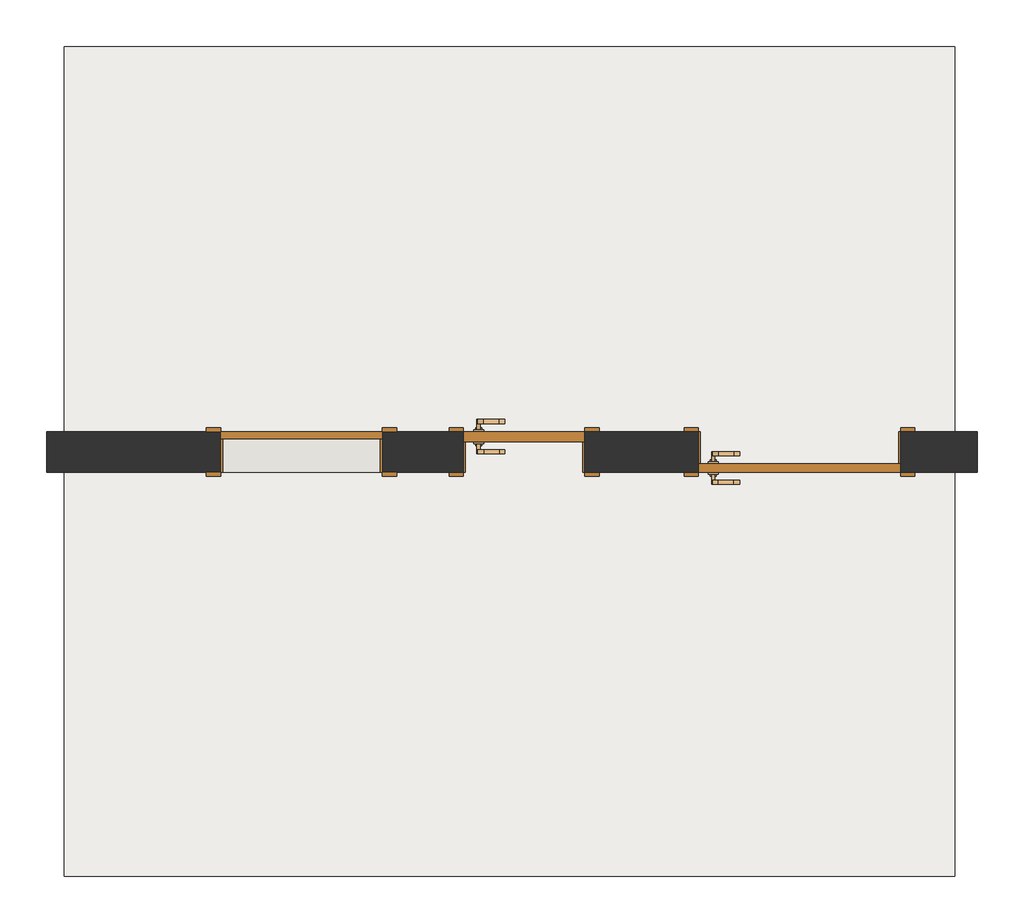
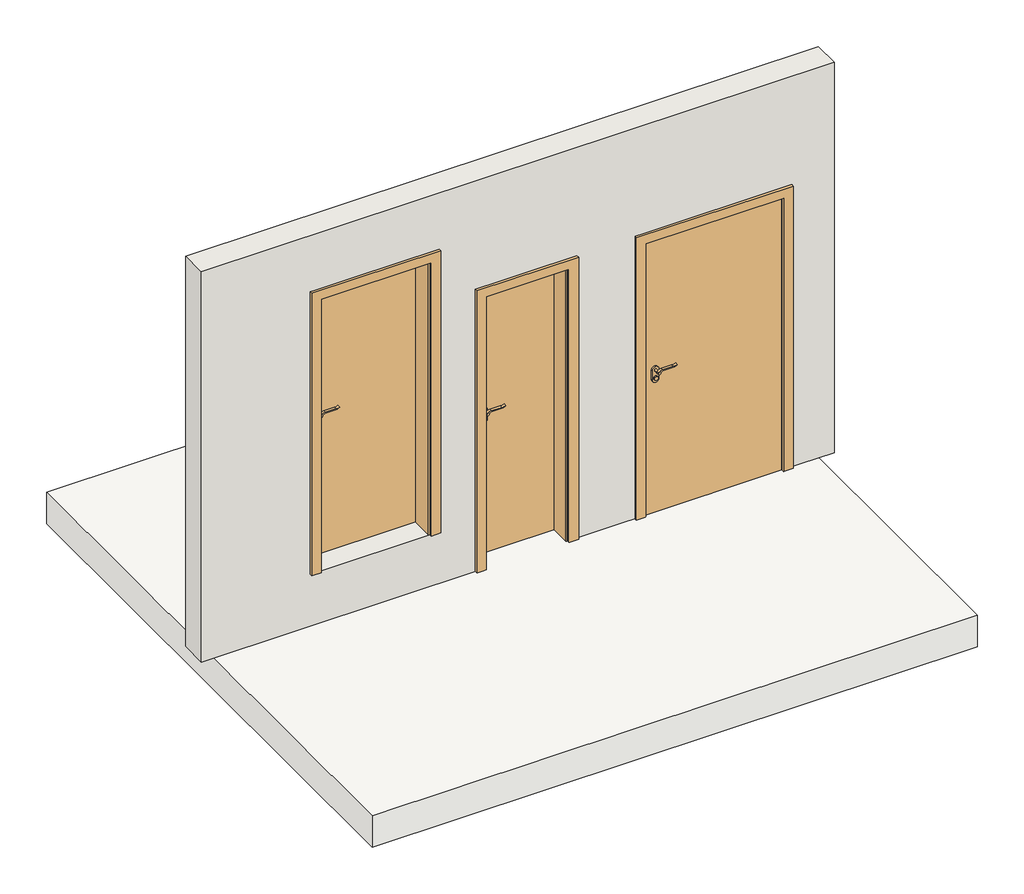
# One storey: 3 doors, 1 slab, 1 wall.
"""IFC4 building model written with IfcOpenShell, lengths in millimetres."""

import ifcopenshell
import ifcopenshell.guid

model = None  # the IFC model being written
_history = None  # IfcOwnerHistory: only IFC2X3 demands one
_inside = {}  # id of a spatial element -> (the spatial element, [elements in it])
_under = {}  # id of a project, library or spatial element -> (it, [spatial elements below it])
_declared = {}  # id of a project -> (the project, [libraries it declares])
_typed = {}  # id of a type object -> (the type object, [elements of that type])
_made_of = {}  # id of a material, layer set ... -> (it, [elements and type objects made of it])


def new_model(schema):
    """Start an empty IFC model of exactly this schema.

    Asked for "IFC4X3", IfcOpenShell would pick the latest addendum, in which some entities
    have other attributes; the version numbers below select the first issue.
    IFC2X3 requires an IfcOwnerHistory on every rooted entity: one is made here for all.
    """
    global model, _history
    if schema == "IFC4X3":
        model = ifcopenshell.file(schema_version=(4, 3, 0, 0))
    else:
        model = ifcopenshell.file(schema=schema)
    _inside.clear()
    _under.clear()
    _declared.clear()
    _typed.clear()
    _made_of.clear()
    _history = None
    if model.schema == "IFC2X3":
        org = make("IfcOrganization", Name="unknown")
        user = make(
            "IfcPersonAndOrganization",
            ThePerson=make("IfcPerson", FamilyName="unknown"),
            TheOrganization=org,
        )
        app = make(
            "IfcApplication",
            ApplicationDeveloper=org,
            Version="unknown",
            ApplicationFullName="unknown",
            ApplicationIdentifier="unknown",
        )
        _history = make(
            "IfcOwnerHistory",
            OwningUser=user,
            OwningApplication=app,
            ChangeAction="ADDED",
            CreationDate=0,
        )
    return model


def make(cls, **values):
    """One entity of the class cls with the attributes given. An attribute that is None is left unset."""
    return model.create_entity(
        cls, **{name: value for name, value in values.items() if value is not None}
    )


def rooted(cls, **values):
    """An entity with a GlobalId (a new one), such as an element, a storey or a relation."""
    return make(cls, GlobalId=ifcopenshell.guid.new(), OwnerHistory=_history, **values)


def si_unit(unit_type, name, prefix=None):
    """IfcSIUnit, for example si_unit("LENGTHUNIT", "METRE", prefix="MILLI")."""
    return make("IfcSIUnit", UnitType=unit_type, Prefix=prefix, Name=name)


def assignment(units):
    """IfcUnitAssignment: the units of a project."""
    return None if units is None else make("IfcUnitAssignment", Units=units)


def point(xyz):
    """IfcCartesianPoint."""
    return None if xyz is None else make("IfcCartesianPoint", Coordinates=xyz)


def direction(xyz):
    """IfcDirection."""
    return None if xyz is None else make("IfcDirection", DirectionRatios=xyz)


def frame(location, z_axis=None, x_axis=None):
    """IfcAxis2Placement3D, a coordinate frame: its origin and axes. An axis left out is left unset."""
    return make(
        "IfcAxis2Placement3D",
        Location=point(location),
        Axis=direction(z_axis),
        RefDirection=direction(x_axis),
    )


def frame_2d(location, x_axis=None):
    """IfcAxis2Placement2D, a coordinate frame in the plane: its origin and x axis."""
    return make(
        "IfcAxis2Placement2D", Location=point(location), RefDirection=direction(x_axis)
    )


def origin():
    """The frame at (0, 0, 0) with its axes left unset."""
    return frame((0.0, 0.0, 0.0))


def origin_with_axes():
    """The frame at (0, 0, 0) with the z axis (0, 0, 1) and the x axis (1, 0, 0) written out."""
    return frame((0.0, 0.0, 0.0), z_axis=(0.0, 0.0, 1.0), x_axis=(1.0, 0.0, 0.0))


def place(relative_to, where):
    """IfcLocalPlacement: puts the frame where relative to a parent placement (None: the world)."""
    return make(
        "IfcLocalPlacement", PlacementRelTo=relative_to, RelativePlacement=where
    )


def context(
    kind, dimensions, precision=None, world=None, true_north=None, identifier=None
):
    """IfcGeometricRepresentationContext, for example the 3D "Model" context."""
    return make(
        "IfcGeometricRepresentationContext",
        ContextIdentifier=identifier,
        ContextType=kind,
        CoordinateSpaceDimension=dimensions,
        Precision=precision,
        WorldCoordinateSystem=world,
        TrueNorth=true_north,
    )


def project(units=None, contexts=None):
    """IfcProject with its units and contexts."""
    return rooted(
        "IfcProject",
        Name="project",
        RepresentationContexts=contexts,
        UnitsInContext=assignment(units),
    )


def spatial(cls, under=None, at=None, **own):
    """A site, building, storey or space (cls), placed at a placement, below another one or the project."""
    s = rooted(cls, ObjectPlacement=at, **own)
    if under is not None:
        _under.setdefault(under.id(), (under, []))[1].append(s)
    return s


def polyline(points):
    """IfcPolyline through the points."""
    return make("IfcPolyline", Points=[point(p) for p in points])


def circle_curve(where, radius):
    """IfcCircle in the frame where."""
    return make("IfcCircle", Position=where, Radius=radius)


def trimmed(basis, trim1, trim2, sense, master):
    """IfcTrimmedCurve: the piece of a basis curve between two trims."""
    return make(
        "IfcTrimmedCurve",
        BasisCurve=basis,
        Trim1=trim1,
        Trim2=trim2,
        SenseAgreement=sense,
        MasterRepresentation=master,
    )


def segment(curve, same_sense, transition):
    """IfcCompositeCurveSegment."""
    return make(
        "IfcCompositeCurveSegment",
        Transition=transition,
        SameSense=same_sense,
        ParentCurve=curve,
    )


def composite_curve(segments, self_intersect=None):
    """IfcCompositeCurve: segments joined end to end."""
    return make("IfcCompositeCurve", Segments=segments, SelfIntersect=self_intersect)


def outline(outer, holes=None, kind="AREA"):
    """IfcArbitraryClosedProfileDef: a profile drawn as a closed curve; with holes, ...WithVoids."""
    if holes is None:
        return make("IfcArbitraryClosedProfileDef", ProfileType=kind, OuterCurve=outer)
    return make(
        "IfcArbitraryProfileDefWithVoids",
        ProfileType=kind,
        OuterCurve=outer,
        InnerCurves=holes,
    )


def extrude(swept, where, along, depth):
    """IfcExtrudedAreaSolid: the profile swept, set in the frame where, extruded along a direction by depth."""
    return make(
        "IfcExtrudedAreaSolid",
        SweptArea=swept,
        Position=where,
        ExtrudedDirection=direction(along),
        Depth=depth,
    )


def shape(context_of_items, identifier, shape_type, items):
    """IfcShapeRepresentation: the items that make up one representation, for example the "Body"."""
    return make(
        "IfcShapeRepresentation",
        ContextOfItems=context_of_items,
        RepresentationIdentifier=identifier,
        RepresentationType=shape_type,
        Items=items,
    )


def source(mapping_origin, context_of_items, identifier, shape_type, items):
    """IfcRepresentationMap: a shape defined once, which mapped items show again and again."""
    return make(
        "IfcRepresentationMap",
        MappingOrigin=mapping_origin,
        MappedRepresentation=shape(context_of_items, identifier, shape_type, items),
    )


def transform(
    local_origin,
    x_axis=None,
    y_axis=None,
    z_axis=None,
    scale=None,
    scale2=None,
    scale3=None,
    uniform=True,
):
    """IfcCartesianTransformationOperator3D, or its non-uniform kind. x_axis, y_axis, z_axis: its Axis1, 2, 3."""
    if uniform:
        return make(
            "IfcCartesianTransformationOperator3D",
            Axis1=direction(x_axis),
            Axis2=direction(y_axis),
            LocalOrigin=point(local_origin),
            Scale=scale,
            Axis3=direction(z_axis),
        )
    return make(
        "IfcCartesianTransformationOperator3DnonUniform",
        Axis1=direction(x_axis),
        Axis2=direction(y_axis),
        LocalOrigin=point(local_origin),
        Scale=scale,
        Axis3=direction(z_axis),
        Scale2=scale2,
        Scale3=scale3,
    )


def mapped(mapping_source, mapping_target):
    """IfcMappedItem: shows the shape of a source again, moved by a transform."""
    return make(
        "IfcMappedItem", MappingSource=mapping_source, MappingTarget=mapping_target
    )


def made_of(thing, what):
    """Note that an element or type object is made of a material, layer set ...; save() writes the relation."""
    if what is not None:
        _made_of.setdefault(what.id(), (what, []))[1].append(thing)
    return thing


def element(
    cls,
    number,
    at=None,
    inside=None,
    cuts=None,
    type_object=None,
    material=None,
    context=None,
    identifier="Body",
    shape_type=None,
    held_by="IfcProductDefinitionShape",
    body=None,
    shapes=None,
    **own,
):
    """One element of the class cls, such as IfcWall. Its Tag is "e" and its number.

    at: its placement. inside: the storey or other place that contains it. cuts: it is an
    opening in that element (IfcRelVoidsElement). A single representation is given by context,
    identifier, shape_type and body (its items); several are given by shapes. held_by: the class
    of the entity that holds the representations. save() writes the other relations.
    """
    e = rooted(cls, Tag="e%d" % number, ObjectPlacement=at, **own)
    if body is not None:
        shapes = [shape(context, identifier, shape_type, body)]
    if shapes is not None:
        e.Representation = make(held_by, Representations=shapes)
    if inside is not None:
        _inside.setdefault(inside.id(), (inside, []))[1].append(e)
    if cuts is not None:
        rooted(
            "IfcRelVoidsElement", RelatingBuildingElement=cuts, RelatedOpeningElement=e
        )
    if type_object is not None:
        _typed.setdefault(type_object.id(), (type_object, []))[1].append(e)
    return made_of(e, material)


def aggregate(whole, parts):
    """IfcRelAggregates: a whole, such as a stair, and the parts it consists of."""
    return rooted("IfcRelAggregates", RelatingObject=whole, RelatedObjects=parts)


def save(model, path):
    """Write the relations noted so far, then the file.

    IfcRelAggregates (storeys below a building ...), IfcRelContainedInSpatialStructure (elements
    in a storey), IfcRelDefinesByType, IfcRelAssociatesMaterial and IfcRelDeclares: one each for
    every whole, place, type object, material and project.
    """
    for whole, parts in _under.values():
        aggregate(whole, parts)
    for where, things in _inside.values():
        rooted(
            "IfcRelContainedInSpatialStructure",
            RelatedElements=things,
            RelatingStructure=where,
        )
    for kind, things in _typed.values():
        rooted("IfcRelDefinesByType", RelatedObjects=things, RelatingType=kind)
    for what, things in _made_of.values():
        rooted("IfcRelAssociatesMaterial", RelatedObjects=things, RelatingMaterial=what)
    for by, libraries in _declared.values():
        rooted("IfcRelDeclares", RelatingContext=by, RelatedDefinitions=libraries)
    model.write(path)


def door_48cdd9c5(model_context):
    return source(origin(), model_context, "Body", "SweptSolid", [
        extrude(outline(composite_curve([segment(trimmed(circle_curve(frame_2d((1040.0, -225.0)), 15.0), [point((1040.0, -210.0))], [point((1040.0, -240.0))], False, "CARTESIAN"), True, "CONTINUOUS"), segment(trimmed(circle_curve(frame_2d((1040.0, -225.0)), 15.0), [point((1040.0, -240.0))], [point((1040.0, -210.0))], False, "CARTESIAN"), True, "CONTINUOUS")], self_intersect=False)), frame((0.0, 30.0, 0.0), z_axis=(0.0, 1.0, 0.0), x_axis=(0.0, 0.0, 1.0)), (0.0, 0.0, 1.0), 10.0),
        extrude(outline(composite_curve([segment(trimmed(circle_curve(frame_2d((1040.0, -225.0)), 15.0), [point((1040.0, -210.0))], [point((1040.0, -240.0))], False, "CARTESIAN"), True, "CONTINUOUS"), segment(trimmed(circle_curve(frame_2d((1040.0, -225.0)), 15.0), [point((1040.0, -240.0))], [point((1040.0, -210.0))], False, "CARTESIAN"), True, "CONTINUOUS")], self_intersect=False)), frame((0.0, 110.0, 0.0), z_axis=(0.0, 1.0, 0.0), x_axis=(0.0, 0.0, 1.0)), (0.0, 0.0, 1.0), 10.0),
        extrude(outline(composite_curve([segment(trimmed(circle_curve(frame_2d((1100.0, -225.0)), 8.0), [point((1104.6523287, -231.5081363))], [point((1100.0, -217.0))], False, "CARTESIAN"), True, "CONTINUOUS"), segment(trimmed(circle_curve(frame_2d((1094.8738613, -199.6138099)), 18.1261387), [point((1100.0, -217.0))], [point((1113.0, -199.6138099))], True, "CARTESIAN"), True, "CONTINUOUS"), segment(polyline([(1113.0, -199.6138099), (1113.0, -123.3564091)]), True, "CONTINUOUS"), segment(trimmed(circle_curve(frame_2d((1172.2709207, -126.9396612)), 59.3791355), [point((1113.0, -123.3564091))], [point((1122.2135558, -95.0))], False, "CARTESIAN"), True, "CONTINUOUS"), segment(polyline([(1122.2135558, -95.0), (1125.0, -95.0)]), True, "CONTINUOUS"), segment(trimmed(circle_curve(frame_2d((1203.2850638, -123.4227909)), 83.2850902), [point((1125.0, -95.0))], [point((1120.0, -123.3564091))], True, "CARTESIAN"), True, "CONTINUOUS"), segment(polyline([(1120.0, -123.3564091), (1120.0, -199.6325667)]), True, "CONTINUOUS"), segment(trimmed(circle_curve(frame_2d((1082.7555521, -201.3324871)), 37.2832219), [point((1120.0, -199.6325667))], [point((1104.6523287, -231.5081363))], False, "CARTESIAN"), True, "CONTINUOUS")], self_intersect=False)), frame((0.0, -10.0, 0.0), z_axis=(0.0, 1.0, 0.0), x_axis=(0.0, 0.0, 1.0)), (0.0, 0.0, 1.0), 20.0),
        extrude(outline(composite_curve([segment(trimmed(circle_curve(frame_2d((1094.8738682, -199.6138122)), 18.1261318), [point((1099.9999903, -217.0))], [point((1113.0, -199.6138122))], True, "CARTESIAN"), True, "CONTINUOUS"), segment(polyline([(1113.0, -199.6138122), (1113.0, -123.3564091)]), True, "CONTINUOUS"), segment(trimmed(circle_curve(frame_2d((1172.2709207, -126.9396612)), 59.3791355), [point((1113.0, -123.3564091))], [point((1122.2135558, -95.0))], False, "CARTESIAN"), True, "CONTINUOUS"), segment(polyline([(1122.2135558, -95.0), (1125.0, -95.0)]), True, "CONTINUOUS"), segment(trimmed(circle_curve(frame_2d((1203.2850638, -123.4227909)), 83.2850902), [point((1125.0, -95.0))], [point((1120.0, -123.3564091))], True, "CARTESIAN"), True, "CONTINUOUS"), segment(polyline([(1120.0, -123.3564091), (1120.0, -199.6325667)]), True, "CONTINUOUS"), segment(trimmed(circle_curve(frame_2d((1082.7555521, -201.3324871)), 37.2832219), [point((1120.0, -199.6325667))], [point((1104.6523287, -231.5081363))], False, "CARTESIAN"), True, "CONTINUOUS"), segment(trimmed(circle_curve(frame_2d((1100.0, -225.0)), 8.0), [point((1104.6523287, -231.5081363))], [point((1099.9999903, -217.0))], False, "CARTESIAN"), True, "CONTINUOUS")], self_intersect=False)), frame((0.0, 140.0, 0.0), z_axis=(0.0, 1.0, 0.0), x_axis=(0.0, 0.0, 1.0)), (0.0, 0.0, 1.0), 20.0),
        extrude(outline(composite_curve([segment(trimmed(circle_curve(frame_2d((1100.0, -225.0)), 8.0), [point((1100.0, -217.0))], [point((1100.0, -233.0))], False, "CARTESIAN"), True, "CONTINUOUS"), segment(trimmed(circle_curve(frame_2d((1100.0, -225.0)), 8.0), [point((1100.0, -233.0))], [point((1100.0, -217.0))], False, "CARTESIAN"), True, "CONTINUOUS")], self_intersect=False)), frame((0.0, 10.0, 0.0), z_axis=(0.0, 1.0, 0.0), x_axis=(0.0, 0.0, 1.0)), (0.0, 0.0, 1.0), 30.0),
        extrude(outline(composite_curve([segment(trimmed(circle_curve(frame_2d((1100.0, -225.0)), 8.0), [point((1100.0, -217.0))], [point((1100.0, -233.0))], False, "CARTESIAN"), True, "CONTINUOUS"), segment(trimmed(circle_curve(frame_2d((1100.0, -225.0)), 8.0), [point((1100.0, -233.0))], [point((1100.0, -217.0))], False, "CARTESIAN"), True, "CONTINUOUS")], self_intersect=False)), frame((0.0, 110.0, 0.0), z_axis=(0.0, 1.0, 0.0), x_axis=(0.0, 0.0, 1.0)), (0.0, 0.0, 1.0), 30.0),
        extrude(outline(composite_curve([segment(trimmed(circle_curve(frame_2d((1030.0, -225.0)), 25.0), [point((1030.0, -250.0))], [point((1030.0, -200.0))], False, "CARTESIAN"), True, "CONTINUOUS"), segment(polyline([(1030.0, -200.0), (1100.0, -200.0)]), True, "CONTINUOUS"), segment(trimmed(circle_curve(frame_2d((1100.0, -225.0)), 25.0), [point((1100.0, -200.0))], [point((1100.0, -250.0))], False, "CARTESIAN"), True, "CONTINUOUS"), segment(polyline([(1100.0, -250.0), (1030.0, -250.0)]), True, "CONTINUOUS")], self_intersect=False)), frame((0.0, 40.0, 0.0), z_axis=(0.0, 1.0, 0.0), x_axis=(0.0, 0.0, 1.0)), (0.0, 0.0, 1.0), 10.0),
        extrude(outline(composite_curve([segment(trimmed(circle_curve(frame_2d((1030.0, -225.0)), 25.0), [point((1030.0, -250.0))], [point((1030.0, -200.0))], False, "CARTESIAN"), True, "CONTINUOUS"), segment(polyline([(1030.0, -200.0), (1100.0, -200.0)]), True, "CONTINUOUS"), segment(trimmed(circle_curve(frame_2d((1100.0, -225.0)), 25.0), [point((1100.0, -200.0))], [point((1100.0, -250.0))], False, "CARTESIAN"), True, "CONTINUOUS"), segment(polyline([(1100.0, -250.0), (1030.0, -250.0)]), True, "CONTINUOUS")], self_intersect=False)), frame((0.0, 100.0, 0.0), z_axis=(0.0, 1.0, 0.0), x_axis=(0.0, 0.0, 1.0)), (0.0, 0.0, 1.0), 10.0),
        extrude(outline(polyline([(300.0, 50.0), (-300.0, 50.0), (-300.0, 100.0), (300.0, 100.0), (300.0, 50.0)])), origin_with_axes(), (0.0, 0.0, 1.0), 2100.0),
        extrude(outline(polyline([(0.0, 300.0), (2100.0, 300.0), (2100.0, -300.0), (0.0, -300.0), (0.0, -290.0), (2090.0, -290.0), (2090.0, 290.0), (0.0, 290.0), (0.0, 300.0)])), frame((0.0, -100.0, 0.0), z_axis=(0.0, 1.0, 0.0), x_axis=(0.0, 0.0, 1.0)), (0.0, 0.0, 1.0), 150.0),
        extrude(outline(polyline([(0.0, 300.0), (0.0, 370.0), (2170.0, 370.0), (2170.0, -370.0), (0.0, -370.0), (0.0, -300.0), (2100.0, -300.0), (2100.0, 300.0), (0.0, 300.0)])), frame((0.0, 100.0, 0.0), z_axis=(0.0, 1.0, 0.0), x_axis=(0.0, 0.0, 1.0)), (0.0, 0.0, 1.0), 20.0),
        extrude(outline(polyline([(0.0, 300.0), (0.0, 370.0), (2170.0, 370.0), (2170.0, -370.0), (0.0, -370.0), (0.0, -300.0), (2100.0, -300.0), (2100.0, 300.0), (0.0, 300.0)])), frame((0.0, -120.0, 0.0), z_axis=(0.0, 1.0, 0.0), x_axis=(0.0, 0.0, 1.0)), (0.0, 0.0, 1.0), 20.0),
    ])


def door_100x210_03aab73c(model_context):
    return source(origin(), model_context, "Body", "SweptSolid", [
        extrude(outline(composite_curve([segment(trimmed(circle_curve(frame_2d((1040.0, -425.0)), 15.0), [point((1040.0, -410.0))], [point((1040.0, -440.0))], False, "CARTESIAN"), True, "CONTINUOUS"), segment(trimmed(circle_curve(frame_2d((1040.0, -425.0)), 15.0), [point((1040.0, -440.0))], [point((1040.0, -410.0))], False, "CARTESIAN"), True, "CONTINUOUS")], self_intersect=False)), frame((0.0, -50.0, 0.0), z_axis=(0.0, 1.0, 0.0), x_axis=(0.0, 0.0, 1.0)), (0.0, 0.0, 1.0), 10.0),
        extrude(outline(composite_curve([segment(trimmed(circle_curve(frame_2d((1040.0, -425.0)), 15.0), [point((1040.0, -410.0))], [point((1040.0, -440.0))], False, "CARTESIAN"), True, "CONTINUOUS"), segment(trimmed(circle_curve(frame_2d((1040.0, -425.0)), 15.0), [point((1040.0, -440.0))], [point((1040.0, -410.0))], False, "CARTESIAN"), True, "CONTINUOUS")], self_intersect=False)), frame((0.0, -120.0, 0.0), z_axis=(0.0, 1.0, 0.0), x_axis=(0.0, 0.0, 1.0)), (0.0, 0.0, 1.0), 10.0),
        extrude(outline(composite_curve([segment(trimmed(circle_curve(frame_2d((1100.0, -425.0)), 8.0), [point((1104.6523287, -431.5081363))], [point((1100.0, -417.0))], False, "CARTESIAN"), True, "CONTINUOUS"), segment(trimmed(circle_curve(frame_2d((1094.8738613, -399.6138099)), 18.1261387), [point((1100.0, -417.0))], [point((1113.0, -399.6138099))], True, "CARTESIAN"), True, "CONTINUOUS"), segment(polyline([(1113.0, -399.6138099), (1113.0, -323.3564091)]), True, "CONTINUOUS"), segment(trimmed(circle_curve(frame_2d((1172.2709207, -326.9396612)), 59.3791355), [point((1113.0, -323.3564091))], [point((1122.2135558, -295.0))], False, "CARTESIAN"), True, "CONTINUOUS"), segment(polyline([(1122.2135558, -295.0), (1125.0, -295.0)]), True, "CONTINUOUS"), segment(trimmed(circle_curve(frame_2d((1203.2850638, -323.4227909)), 83.2850902), [point((1125.0, -295.0))], [point((1120.0, -323.3564091))], True, "CARTESIAN"), True, "CONTINUOUS"), segment(polyline([(1120.0, -323.3564091), (1120.0, -399.6325667)]), True, "CONTINUOUS"), segment(trimmed(circle_curve(frame_2d((1082.7555521, -401.3324871)), 37.2832219), [point((1120.0, -399.6325667))], [point((1104.6523287, -431.5081363))], False, "CARTESIAN"), True, "CONTINUOUS")], self_intersect=False)), frame((0.0, -20.0, 0.0), z_axis=(0.0, 1.0, 0.0), x_axis=(0.0, 0.0, 1.0)), (0.0, 0.0, 1.0), 20.0),
        extrude(outline(composite_curve([segment(trimmed(circle_curve(frame_2d((1094.8738682, -399.6138122)), 18.1261318), [point((1099.9999903, -417.0))], [point((1113.0, -399.6138122))], True, "CARTESIAN"), True, "CONTINUOUS"), segment(polyline([(1113.0, -399.6138122), (1113.0, -323.3564091)]), True, "CONTINUOUS"), segment(trimmed(circle_curve(frame_2d((1172.2709207, -326.9396612)), 59.3791355), [point((1113.0, -323.3564091))], [point((1122.2135558, -295.0))], False, "CARTESIAN"), True, "CONTINUOUS"), segment(polyline([(1122.2135558, -295.0), (1125.0, -295.0)]), True, "CONTINUOUS"), segment(trimmed(circle_curve(frame_2d((1203.2850638, -323.4227909)), 83.2850902), [point((1125.0, -295.0))], [point((1120.0, -323.3564091))], True, "CARTESIAN"), True, "CONTINUOUS"), segment(polyline([(1120.0, -323.3564091), (1120.0, -399.6325667)]), True, "CONTINUOUS"), segment(trimmed(circle_curve(frame_2d((1082.7555521, -401.3324871)), 37.2832219), [point((1120.0, -399.6325667))], [point((1104.6523287, -431.5081363))], False, "CARTESIAN"), True, "CONTINUOUS"), segment(trimmed(circle_curve(frame_2d((1100.0, -425.0)), 8.0), [point((1104.6523287, -431.5081363))], [point((1099.9999903, -417.0))], False, "CARTESIAN"), True, "CONTINUOUS")], self_intersect=False)), frame((0.0, -160.0, 0.0), z_axis=(0.0, 1.0, 0.0), x_axis=(0.0, 0.0, 1.0)), (0.0, 0.0, 1.0), 20.0),
        extrude(outline(composite_curve([segment(trimmed(circle_curve(frame_2d((1100.0, -425.0)), 8.0), [point((1100.0, -417.0))], [point((1100.0, -433.0))], False, "CARTESIAN"), True, "CONTINUOUS"), segment(trimmed(circle_curve(frame_2d((1100.0, -425.0)), 8.0), [point((1100.0, -433.0))], [point((1100.0, -417.0))], False, "CARTESIAN"), True, "CONTINUOUS")], self_intersect=False)), frame((0.0, -50.0, 0.0), z_axis=(0.0, 1.0, 0.0), x_axis=(0.0, 0.0, 1.0)), (0.0, 0.0, 1.0), 30.0),
        extrude(outline(composite_curve([segment(trimmed(circle_curve(frame_2d((1100.0, -425.0)), 8.0), [point((1100.0, -417.0))], [point((1100.0, -433.0))], False, "CARTESIAN"), True, "CONTINUOUS"), segment(trimmed(circle_curve(frame_2d((1100.0, -425.0)), 8.0), [point((1100.0, -433.0))], [point((1100.0, -417.0))], False, "CARTESIAN"), True, "CONTINUOUS")], self_intersect=False)), frame((0.0, -140.0, 0.0), z_axis=(0.0, 1.0, 0.0), x_axis=(0.0, 0.0, 1.0)), (0.0, 0.0, 1.0), 30.0),
        extrude(outline(composite_curve([segment(trimmed(circle_curve(frame_2d((1030.0, -425.0)), 25.0), [point((1030.0, -450.0))], [point((1030.0, -400.0))], False, "CARTESIAN"), True, "CONTINUOUS"), segment(polyline([(1030.0, -400.0), (1100.0, -400.0)]), True, "CONTINUOUS"), segment(trimmed(circle_curve(frame_2d((1100.0, -425.0)), 25.0), [point((1100.0, -400.0))], [point((1100.0, -450.0))], False, "CARTESIAN"), True, "CONTINUOUS"), segment(polyline([(1100.0, -450.0), (1030.0, -450.0)]), True, "CONTINUOUS")], self_intersect=False)), frame((0.0, -60.0, 0.0), z_axis=(0.0, 1.0, 0.0), x_axis=(0.0, 0.0, 1.0)), (0.0, 0.0, 1.0), 10.0),
        extrude(outline(composite_curve([segment(trimmed(circle_curve(frame_2d((1030.0, -425.0)), 25.0), [point((1030.0, -450.0))], [point((1030.0, -400.0))], False, "CARTESIAN"), True, "CONTINUOUS"), segment(polyline([(1030.0, -400.0), (1100.0, -400.0)]), True, "CONTINUOUS"), segment(trimmed(circle_curve(frame_2d((1100.0, -425.0)), 25.0), [point((1100.0, -400.0))], [point((1100.0, -450.0))], False, "CARTESIAN"), True, "CONTINUOUS"), segment(polyline([(1100.0, -450.0), (1030.0, -450.0)]), True, "CONTINUOUS")], self_intersect=False)), frame((0.0, -110.0, 0.0), z_axis=(0.0, 1.0, 0.0), x_axis=(0.0, 0.0, 1.0)), (0.0, 0.0, 1.0), 10.0),
        extrude(outline(polyline([(500.0, -60.0), (500.0, -100.0), (-500.0, -100.0), (-500.0, -60.0), (500.0, -60.0)])), origin_with_axes(), (0.0, 0.0, 1.0), 2100.0),
        extrude(outline(polyline([(0.0, 490.0), (0.0, 500.0), (2100.0, 500.0), (2100.0, -500.0), (0.0, -500.0), (0.0, -490.0), (2090.0, -490.0), (2090.0, 490.0), (0.0, 490.0)])), frame((0.0, -60.0, 0.0), z_axis=(0.0, 1.0, 0.0), x_axis=(0.0, 0.0, 1.0)), (0.0, 0.0, 1.0), 160.0),
        extrude(outline(polyline([(0.0, 500.0), (0.0, 570.0), (2170.0, 570.0), (2170.0, -570.0), (0.0, -570.0), (0.0, -500.0), (2100.0, -500.0), (2100.0, 500.0), (0.0, 500.0)])), frame((0.0, -120.0, 0.0), z_axis=(0.0, 1.0, 0.0), x_axis=(0.0, 0.0, 1.0)), (0.0, 0.0, 1.0), 20.0),
        extrude(outline(polyline([(0.0, 500.0), (0.0, 570.0), (2170.0, 570.0), (2170.0, -570.0), (0.0, -570.0), (0.0, -500.0), (2100.0, -500.0), (2100.0, 500.0), (0.0, 500.0)])), frame((0.0, 100.0, 0.0), z_axis=(0.0, 1.0, 0.0), x_axis=(0.0, 0.0, 1.0)), (0.0, 0.0, 1.0), 20.0),
    ])


def door_80x210_7041af7c(model_context):
    return source(origin(), model_context, "Body", "SweptSolid", [
        extrude(outline(composite_curve([segment(trimmed(circle_curve(frame_2d((1040.0, -325.0)), 15.0), [point((1040.0, -310.0))], [point((1040.0, -340.0))], False, "CARTESIAN"), True, "CONTINUOUS"), segment(trimmed(circle_curve(frame_2d((1040.0, -325.0)), 15.0), [point((1040.0, -340.0))], [point((1040.0, -310.0))], False, "CARTESIAN"), True, "CONTINUOUS")], self_intersect=False)), frame((0.0, 45.0, 0.0), z_axis=(0.0, 1.0, 0.0), x_axis=(0.0, 0.0, 1.0)), (0.0, 0.0, 1.0), 10.0),
        extrude(outline(composite_curve([segment(trimmed(circle_curve(frame_2d((1040.0, -325.0)), 15.0), [point((1040.0, -310.0))], [point((1040.0, -340.0))], False, "CARTESIAN"), True, "CONTINUOUS"), segment(trimmed(circle_curve(frame_2d((1040.0, -325.0)), 15.0), [point((1040.0, -340.0))], [point((1040.0, -310.0))], False, "CARTESIAN"), True, "CONTINUOUS")], self_intersect=False)), frame((0.0, 110.0, 0.0), z_axis=(0.0, 1.0, 0.0), x_axis=(0.0, 0.0, 1.0)), (0.0, 0.0, 1.0), 10.0),
        extrude(outline(composite_curve([segment(trimmed(circle_curve(frame_2d((1100.0, -325.0)), 8.0), [point((1104.6523287, -331.5081363))], [point((1100.0, -317.0))], False, "CARTESIAN"), True, "CONTINUOUS"), segment(trimmed(circle_curve(frame_2d((1094.8738613, -299.6138099)), 18.1261387), [point((1100.0, -317.0))], [point((1113.0, -299.6138099))], True, "CARTESIAN"), True, "CONTINUOUS"), segment(polyline([(1113.0, -299.6138099), (1113.0, -223.3564091)]), True, "CONTINUOUS"), segment(trimmed(circle_curve(frame_2d((1172.2709207, -226.9396612)), 59.3791355), [point((1113.0, -223.3564091))], [point((1122.2135558, -195.0))], False, "CARTESIAN"), True, "CONTINUOUS"), segment(polyline([(1122.2135558, -195.0), (1125.0, -195.0)]), True, "CONTINUOUS"), segment(trimmed(circle_curve(frame_2d((1203.2850638, -223.4227909)), 83.2850902), [point((1125.0, -195.0))], [point((1120.0, -223.3564091))], True, "CARTESIAN"), True, "CONTINUOUS"), segment(polyline([(1120.0, -223.3564091), (1120.0, -299.6325667)]), True, "CONTINUOUS"), segment(trimmed(circle_curve(frame_2d((1082.7555521, -301.3324871)), 37.2832219), [point((1120.0, -299.6325667))], [point((1104.6523287, -331.5081363))], False, "CARTESIAN"), True, "CONTINUOUS")], self_intersect=False)), frame((0.0, 5.0, 0.0), z_axis=(0.0, 1.0, 0.0), x_axis=(0.0, 0.0, 1.0)), (0.0, 0.0, 1.0), 20.0),
        extrude(outline(composite_curve([segment(trimmed(circle_curve(frame_2d((1094.8738682, -299.6138122)), 18.1261318), [point((1099.9999903, -317.0))], [point((1113.0, -299.6138122))], True, "CARTESIAN"), True, "CONTINUOUS"), segment(polyline([(1113.0, -299.6138122), (1113.0, -223.3564091)]), True, "CONTINUOUS"), segment(trimmed(circle_curve(frame_2d((1172.2709207, -226.9396612)), 59.3791355), [point((1113.0, -223.3564091))], [point((1122.2135558, -195.0))], False, "CARTESIAN"), True, "CONTINUOUS"), segment(polyline([(1122.2135558, -195.0), (1125.0, -195.0)]), True, "CONTINUOUS"), segment(trimmed(circle_curve(frame_2d((1203.2850638, -223.4227909)), 83.2850902), [point((1125.0, -195.0))], [point((1120.0, -223.3564091))], True, "CARTESIAN"), True, "CONTINUOUS"), segment(polyline([(1120.0, -223.3564091), (1120.0, -299.6325667)]), True, "CONTINUOUS"), segment(trimmed(circle_curve(frame_2d((1082.7555521, -301.3324871)), 37.2832219), [point((1120.0, -299.6325667))], [point((1104.6523287, -331.5081363))], False, "CARTESIAN"), True, "CONTINUOUS"), segment(trimmed(circle_curve(frame_2d((1100.0, -325.0)), 8.0), [point((1104.6523287, -331.5081363))], [point((1099.9999903, -317.0))], False, "CARTESIAN"), True, "CONTINUOUS")], self_intersect=False)), frame((0.0, 140.0, 0.0), z_axis=(0.0, 1.0, 0.0), x_axis=(0.0, 0.0, 1.0)), (0.0, 0.0, 1.0), 20.0),
        extrude(outline(composite_curve([segment(trimmed(circle_curve(frame_2d((1100.0, -325.0)), 8.0), [point((1100.0, -317.0))], [point((1100.0, -333.0))], False, "CARTESIAN"), True, "CONTINUOUS"), segment(trimmed(circle_curve(frame_2d((1100.0, -325.0)), 8.0), [point((1100.0, -333.0))], [point((1100.0, -317.0))], False, "CARTESIAN"), True, "CONTINUOUS")], self_intersect=False)), frame((0.0, 25.0, 0.0), z_axis=(0.0, 1.0, 0.0), x_axis=(0.0, 0.0, 1.0)), (0.0, 0.0, 1.0), 30.0),
        extrude(outline(composite_curve([segment(trimmed(circle_curve(frame_2d((1100.0, -325.0)), 8.0), [point((1100.0, -317.0))], [point((1100.0, -333.0))], False, "CARTESIAN"), True, "CONTINUOUS"), segment(trimmed(circle_curve(frame_2d((1100.0, -325.0)), 8.0), [point((1100.0, -333.0))], [point((1100.0, -317.0))], False, "CARTESIAN"), True, "CONTINUOUS")], self_intersect=False)), frame((0.0, 110.0, 0.0), z_axis=(0.0, 1.0, 0.0), x_axis=(0.0, 0.0, 1.0)), (0.0, 0.0, 1.0), 30.0),
        extrude(outline(composite_curve([segment(trimmed(circle_curve(frame_2d((1030.0, -325.0)), 25.0), [point((1030.0, -350.0))], [point((1030.0, -300.0))], False, "CARTESIAN"), True, "CONTINUOUS"), segment(polyline([(1030.0, -300.0), (1100.0, -300.0)]), True, "CONTINUOUS"), segment(trimmed(circle_curve(frame_2d((1100.0, -325.0)), 25.0), [point((1100.0, -300.0))], [point((1100.0, -350.0))], False, "CARTESIAN"), True, "CONTINUOUS"), segment(polyline([(1100.0, -350.0), (1030.0, -350.0)]), True, "CONTINUOUS")], self_intersect=False)), frame((0.0, 55.0, 0.0), z_axis=(0.0, 1.0, 0.0), x_axis=(0.0, 0.0, 1.0)), (0.0, 0.0, 1.0), 10.0),
        extrude(outline(composite_curve([segment(trimmed(circle_curve(frame_2d((1030.0, -325.0)), 25.0), [point((1030.0, -350.0))], [point((1030.0, -300.0))], False, "CARTESIAN"), True, "CONTINUOUS"), segment(polyline([(1030.0, -300.0), (1100.0, -300.0)]), True, "CONTINUOUS"), segment(trimmed(circle_curve(frame_2d((1100.0, -325.0)), 25.0), [point((1100.0, -300.0))], [point((1100.0, -350.0))], False, "CARTESIAN"), True, "CONTINUOUS"), segment(polyline([(1100.0, -350.0), (1030.0, -350.0)]), True, "CONTINUOUS")], self_intersect=False)), frame((0.0, 100.0, 0.0), z_axis=(0.0, 1.0, 0.0), x_axis=(0.0, 0.0, 1.0)), (0.0, 0.0, 1.0), 10.0),
        extrude(outline(polyline([(400.0, 65.0), (-400.0, 65.0), (-400.0, 100.0), (400.0, 100.0), (400.0, 65.0)])), origin_with_axes(), (0.0, 0.0, 1.0), 2100.0),
        extrude(outline(polyline([(0.0, 400.0), (2100.0, 400.0), (2100.0, -400.0), (0.0, -400.0), (0.0, -390.0), (2090.0, -390.0), (2090.0, 390.0), (0.0, 390.0), (0.0, 400.0)])), frame((0.0, -100.0, 0.0), z_axis=(0.0, 1.0, 0.0), x_axis=(0.0, 0.0, 1.0)), (0.0, 0.0, 1.0), 165.0),
        extrude(outline(polyline([(0.0, 400.0), (0.0, 470.0), (2170.0, 470.0), (2170.0, -470.0), (0.0, -470.0), (0.0, -400.0), (2100.0, -400.0), (2100.0, 400.0), (0.0, 400.0)])), frame((0.0, 100.0, 0.0), z_axis=(0.0, 1.0, 0.0), x_axis=(0.0, 0.0, 1.0)), (0.0, 0.0, 1.0), 20.0),
        extrude(outline(polyline([(0.0, 400.0), (0.0, 470.0), (2170.0, 470.0), (2170.0, -470.0), (0.0, -470.0), (0.0, -400.0), (2100.0, -400.0), (2100.0, 400.0), (0.0, 400.0)])), frame((0.0, -120.0, 0.0), z_axis=(0.0, 1.0, 0.0), x_axis=(0.0, 0.0, 1.0)), (0.0, 0.0, 1.0), 20.0),
    ])


model = new_model("IFC4")

# Units and contexts
model_context = context("Model", 3, world=origin())
ifc_project = project(units=[si_unit("LENGTHUNIT", "METRE", prefix="MILLI")], contexts=[model_context])

# Site, building, storey
site = spatial("IfcSite", under=ifc_project)
building = spatial("IfcBuilding", under=site)
storey = spatial("IfcBuildingStorey", under=building, Elevation=0.0)

# Doors
placement = place(None, origin())
door_shape = door_48cdd9c5(model_context)
element("IfcDoor", 1, at=placement, inside=storey, context=model_context, shape_type="MappedRepresentation", body=[
    mapped(door_shape, transform((1032.1288054, 843.963006, 0.0), x_axis=(1.0, 0.0, 0.0), y_axis=(0.0, 1.0, 0.0), z_axis=(0.0, 0.0, 1.0))),
])
door_100x210_shape = door_100x210_03aab73c(model_context)
element("IfcDoor", 2, ObjectType="100x210", at=placement, inside=storey, context=model_context, shape_type="MappedRepresentation", body=[
    mapped(door_100x210_shape, transform((2392.1288054, 843.963006, 0.0), x_axis=(1.0, 0.0, 0.0), y_axis=(0.0, 1.0, 0.0), z_axis=(0.0, 0.0, 1.0))),
])
door_80x210_shape = door_80x210_7041af7c(model_context)
element("IfcDoor", 3, ObjectType="80x210", at=placement, inside=storey, context=model_context, shape_type="MappedRepresentation", body=[
    mapped(door_80x210_shape, transform((-67.8711946, 843.963006, 400.0), x_axis=(1.0, 0.0, 0.0), y_axis=(0.0, 1.0, 0.0), z_axis=(0.0, 0.0, 1.0))),
])

# Slab
element("IfcSlab", 4, at=placement, inside=storey, context=model_context, shape_type="SweptSolid", body=[
    extrude(outline(polyline([(-1239.4557967, 2846.8476314), (3160.5442033, 2846.8476314), (3160.5442033, -1253.1523686), (-1239.4557967, -1253.1523686), (-1239.4557967, 2846.8476314)])), frame((0.0, 0.0, -241.0), z_axis=(0.0, 0.0, 1.0), x_axis=(1.0, 0.0, 0.0)), (0.0, 0.0, 1.0), 241.0),
])

# Wall
element("IfcWall", 5, at=placement, inside=storey, context=model_context, shape_type="SweptSolid", body=[
    extrude(outline(polyline([(0.0, 3272.1288054), (3000.0, 3272.1288054), (3000.0, -1327.8711946), (0.0, -1327.8711946), (0.0, 732.1288054), (2100.0, 732.1288054), (2100.0, 1332.1288054), (0.0, 1332.1288054), (0.0, 1892.1288054), (2100.0, 1892.1288054), (2100.0, 2892.1288054), (0.0, 2892.1288054), (0.0, 3272.1288054)]), holes=[polyline([(2500.0, 332.1288054), (400.0, 332.1288054), (400.0, -467.8711946), (2500.0, -467.8711946), (2500.0, 332.1288054)])]), frame((0.0, 743.963006, 0.0), z_axis=(0.0, 1.0, 0.0), x_axis=(0.0, 0.0, 1.0)), (0.0, 0.0, 1.0), 200.0),
])

save(model, "model.ifc")
